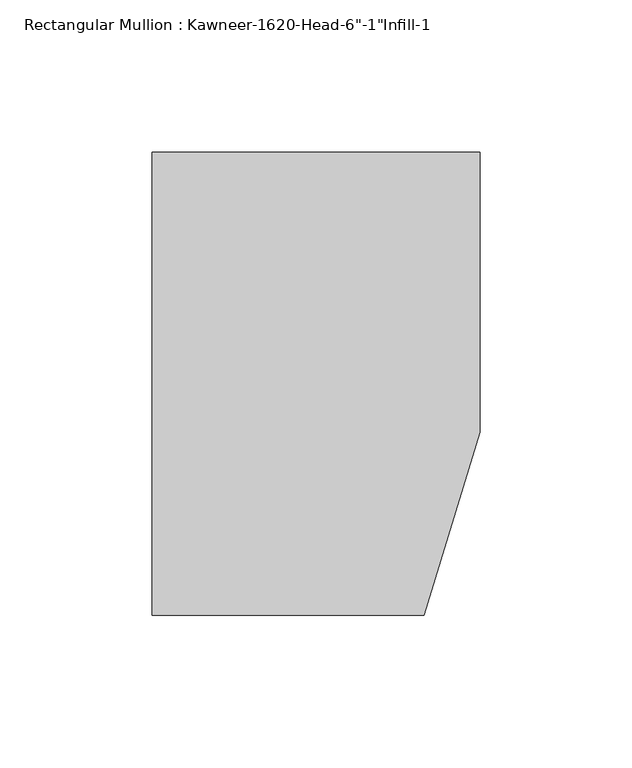
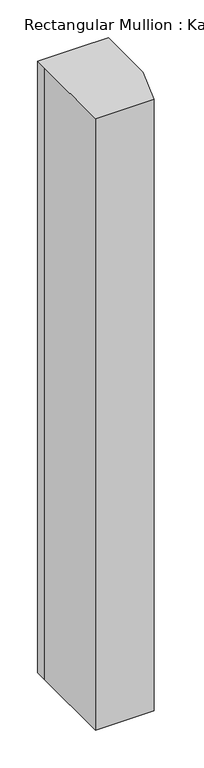
"""IFC4 building model written with IfcOpenShell, lengths in millimetres: member geometry."""

from ifc_helpers import new_model, si_unit, frame, origin, place, context, project, spatial, polyline, outline, extrude, source, transform, mapped, element, save


def member_008c90bc(model_context):
    return source(origin(), model_context, "Body", "SweptSolid", [
        extrude(outline(polyline([(-107.95, 19.9095466), (-107.95, 38.1), (-44.1519366, 38.1), (0.0, 38.1), (0.0, -53.975), (-18.3538271, -114.3), (-107.95, -114.3), (-107.95, 19.9095466)])), frame((0.0, 0.0, -986.5204663), z_axis=(0.0, 0.0, 1.0), x_axis=(1.0, 0.0, 0.0)), (0.0, 0.0, 1.0), 986.5204663),
    ])


if __name__ == "__main__":
    model = new_model("IFC4")
    model_context = context("Model", 3, world=origin())
    ifc_project = project(units=[si_unit("LENGTHUNIT", "METRE", prefix="MILLI")], contexts=[model_context])
    site = spatial("IfcSite", under=ifc_project)
    building = spatial("IfcBuilding", under=site)
    placement = place(None, origin())
    member_shape = member_008c90bc(model_context)
    element("IfcMember", 1, ObjectType="Rectangular Mullion : Kawneer-1620-Head-6\"-1\"Infill-1", at=placement, inside=building, context=model_context, shape_type="MappedRepresentation", body=[
        mapped(member_shape, transform((0.0, 0.0, 0.0), x_axis=(1.0, 0.0, 0.0), y_axis=(0.0, 1.0, 0.0), z_axis=(0.0, 0.0, 1.0))),
    ])
    save(model, "model.ifc")
